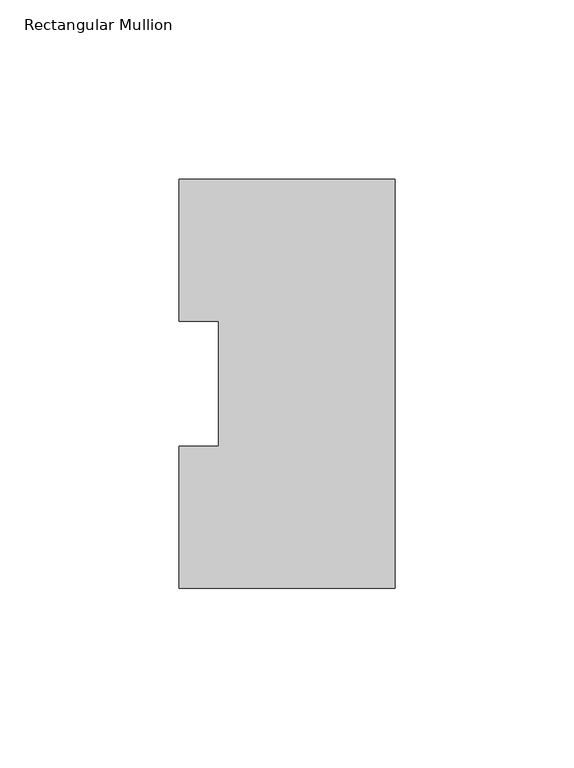
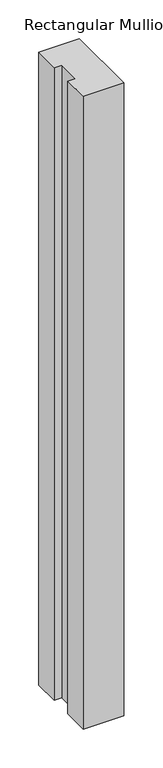
"""IFC4 building model written with IfcOpenShell, lengths in millimetres: member geometry, Rectangular Mullion."""

from ifc_helpers import new_model, si_unit, frame, origin, place, context, project, spatial, polyline, outline, extrude, source, transform, mapped, element, save


def rectangular_mullion_8046601e(model_context):
    return source(origin(), model_context, "Body", "SweptSolid", [
        extrude(outline(polyline([(0.0, 114.271425), (0.0, -0.028575), (-60.325, -0.028575), (-60.325, 39.646225), (-49.2125, 39.646225), (-49.2125, 74.596625), (-60.325, 74.596625), (-60.325, 114.271425), (0.0, 114.271425)])), frame((0.0, 0.0, -995.333925), z_axis=(0.0, 0.0, 1.0), x_axis=(1.0, 0.0, 0.0)), (0.0, 0.0, 1.0), 995.333925),
    ])


if __name__ == "__main__":
    model = new_model("IFC4")
    model_context = context("Model", 3, world=origin())
    ifc_project = project(units=[si_unit("LENGTHUNIT", "METRE", prefix="MILLI")], contexts=[model_context])
    site = spatial("IfcSite", under=ifc_project)
    building = spatial("IfcBuilding", under=site)
    placement = place(None, origin())
    rectangular_mullion_shape = rectangular_mullion_8046601e(model_context)
    element("IfcMember", 1, ObjectType="Rectangular Mullion", at=placement, inside=building, context=model_context, shape_type="MappedRepresentation", body=[
        mapped(rectangular_mullion_shape, transform((0.0, 0.0, 0.0), x_axis=(1.0, 0.0, 0.0), y_axis=(0.0, 1.0, 0.0), z_axis=(0.0, 0.0, 1.0))),
    ])
    save(model, "model.ifc")
